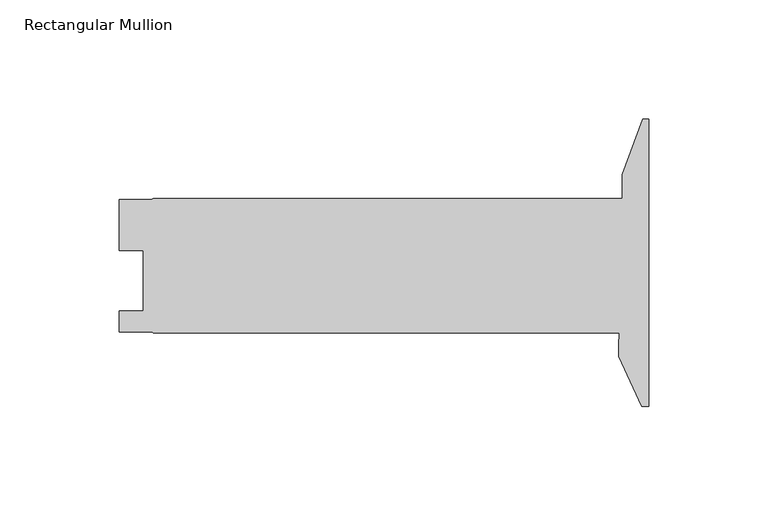
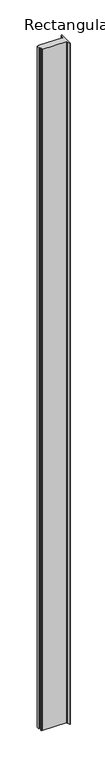
"""IFC4 building model written with IfcOpenShell, lengths in millimetres: member geometry, Rectangular Mullion."""

from ifc_helpers import new_model, si_unit, point, frame, frame_2d, origin, place, context, project, spatial, polyline, circle_curve, trimmed, segment, composite_curve, outline, extrude, source, transform, mapped, element, save


def rectangular_mullion_bbbee0e0(model_context):
    return source(origin(), model_context, "Body", "SweptSolid", [
        extrude(outline(composite_curve([segment(polyline([(0.0, -103.2129), (-2.8679621, -103.2129), (-12.6987193, -82.130773), (-12.6987193, -77.342873)]), True, "CONTINUOUS"), segment(trimmed(circle_curve(frame_2d((-107.9362636, -69.405373)), 95.5677442), [point((-12.6987193, -77.342873))], [point((-12.4143461, -72.3646))], True, "CARTESIAN"), True, "CONTINUOUS"), segment(polyline([(-12.4143461, -72.3646), (-207.8974784, -72.3646), (-208.5594964, -71.90105), (-222.1849784, -71.90105), (-222.1849784, -63.16345), (-212.1392784, -63.16345), (-212.1392784, -37.76345), (-222.1722782, -37.76345), (-222.1722782, -16.3321999), (-208.6893719, -16.3321999), (-207.8974784, -15.875), (-11.1239193, -15.875), (-11.1239193, -5.9626569), (-2.6070581, 17.437227), (0.0, 17.437227), (0.0, -103.2129)]), True, "CONTINUOUS")], self_intersect=False)), frame((0.0, 0.0, -5985.0415317), z_axis=(0.0, 0.0, 1.0), x_axis=(1.0, 0.0, 0.0)), (0.0, 0.0, 1.0), 5985.0415317),
    ])


if __name__ == "__main__":
    model = new_model("IFC4")
    model_context = context("Model", 3, world=origin())
    ifc_project = project(units=[si_unit("LENGTHUNIT", "METRE", prefix="MILLI")], contexts=[model_context])
    site = spatial("IfcSite", under=ifc_project)
    building = spatial("IfcBuilding", under=site)
    placement = place(None, origin())
    rectangular_mullion_shape = rectangular_mullion_bbbee0e0(model_context)
    element("IfcMember", 1, ObjectType="Rectangular Mullion", at=placement, inside=building, context=model_context, shape_type="MappedRepresentation", body=[
        mapped(rectangular_mullion_shape, transform((0.0, 0.0, 0.0), x_axis=(1.0, 0.0, 0.0), y_axis=(0.0, 1.0, 0.0), z_axis=(0.0, 0.0, 1.0))),
    ])
    save(model, "model.ifc")
